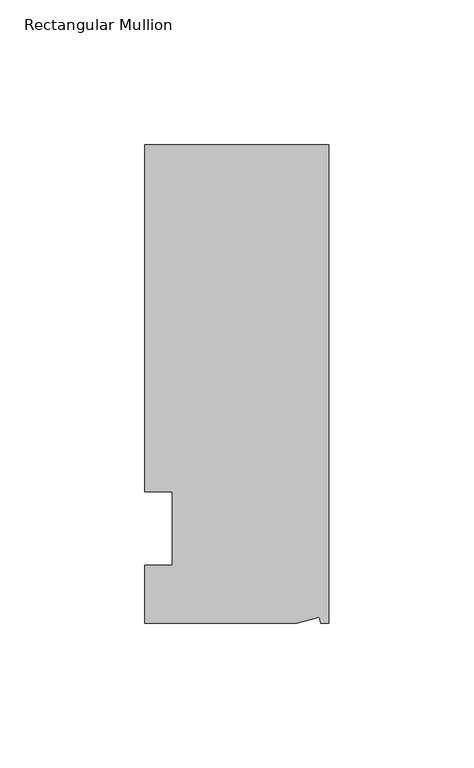
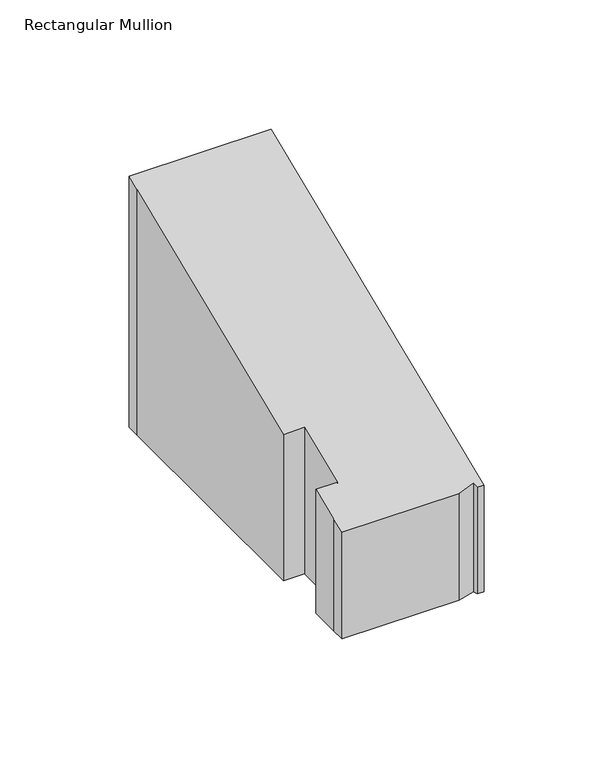
"""IFC4 building model written with IfcOpenShell, lengths in millimetres: member geometry, Rectangular Mullion."""

from ifc_helpers import new_model, si_unit, origin, place, context, project, spatial, faceted_brep, source, transform, mapped, element, save


def rectangular_mullion_7fe559da(model_context):
    return source(origin(), model_context, "Body", "Brep", [
        faceted_brep([(0.0, 132.5561012, -63.8608936), (0.0, -32.5438988, -63.8608936), (-2.7616541, -32.5438988, -63.8608936), (-3.3341886, -30.4622958, -63.8608936), (-11.121847, -32.5438988, -63.8608936), (-63.5, -32.5438988, -63.8608936), (-63.5, -26.1938988, -63.8608936), (-63.5, -12.5945801, -63.8608936), (-53.975, -12.5945801, -63.8608936), (-53.975, 12.8054199, -63.8608936), (-63.5, 12.8054199, -63.8608936), (-63.5, 126.2061012, -63.8608936), (-63.5, 132.5561012, -63.8608936), (-63.5, 132.5561012, 54.9065349), (0.0, 132.5561012, 54.9065349), (-63.5, 12.8054199, 5.3041786), (-63.5, 126.2061012, 52.2762788), (-53.975, 12.8054199, 5.3041786), (-53.975, -12.5945801, -5.2168459), (-63.5, -12.5945801, -5.2168459), (-63.5, -26.1938988, -10.8498681), (-11.121847, -32.5438988, -13.4801243), (-63.5, -32.5438988, -13.4801243), (-3.3341886, -30.4622958, -12.617896), (-2.7616541, -32.5438988, -13.4801243), (0.0, -32.5438988, -13.4801243)], [[[0, 1, 2, 3, 4, 5, 6, 7, 8, 9, 10, 11, 12]], [[13, 14, 0, 12]], [[15, 16, 11, 10]], [[17, 15, 10, 9]], [[18, 17, 9, 8]], [[19, 18, 8, 7]], [[20, 19, 7, 6]], [[21, 22, 5, 4]], [[23, 21, 4, 3]], [[24, 23, 3, 2]], [[25, 24, 2, 1]], [[14, 25, 1, 0]], [[14, 13, 16, 15, 17, 18, 19, 20, 22, 21, 23, 24, 25]], [[16, 13, 12, 11]], [[22, 20, 6, 5]]]),
    ])


if __name__ == "__main__":
    model = new_model("IFC4")
    model_context = context("Model", 3, world=origin())
    ifc_project = project(units=[si_unit("LENGTHUNIT", "METRE", prefix="MILLI")], contexts=[model_context])
    site = spatial("IfcSite", under=ifc_project)
    building = spatial("IfcBuilding", under=site)
    placement = place(None, origin())
    rectangular_mullion_shape = rectangular_mullion_7fe559da(model_context)
    element("IfcMember", 1, ObjectType="Rectangular Mullion", at=placement, inside=building, context=model_context, shape_type="MappedRepresentation", body=[
        mapped(rectangular_mullion_shape, transform((0.0, 0.0, 0.0), x_axis=(1.0, 0.0, 0.0), y_axis=(0.0, 1.0, 0.0), z_axis=(0.0, 0.0, 1.0))),
    ])
    save(model, "model.ifc")
